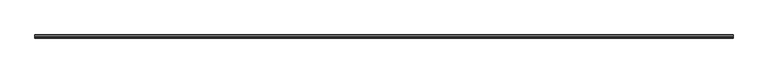
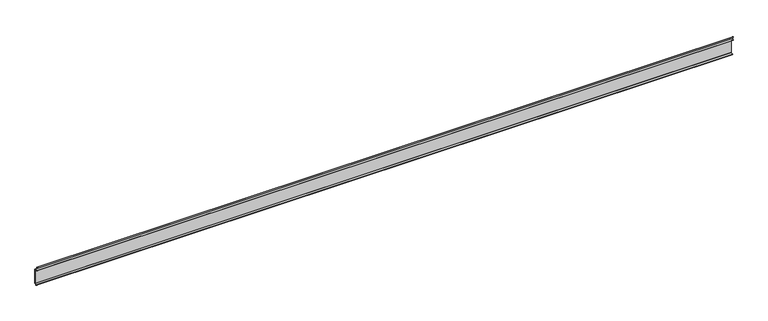
"""IFC4 building model written with IfcOpenShell, lengths in millimetres: plate geometry."""

from ifc_helpers import new_model, si_unit, point, frame, frame_2d, origin, place, context, project, spatial, polyline, circle_curve, trimmed, segment, composite_curve, outline, extrude, source, transform, mapped, element, save


def plate_6393e93b(model_context):
    return source(origin(), model_context, "Body", "SweptSolid", [
        extrude(outline(polyline([(1780.0000002, 14.1978466), (1780.0000002, 13.3978466), (-1780.0000002, 13.3978466), (-1780.0000002, 14.1978466), (1780.0000002, 14.1978466)])), frame((0.0, 0.0, 16.489603), z_axis=(0.0, 0.0, 1.0), x_axis=(1.0, 0.0, 0.0)), (0.0, 0.0, 1.0), 72.020794),
        extrude(outline(composite_curve([segment(polyline([(1.5582054, 100.9821196), (-0.8610136, 110.1935375), (-0.0869849, 110.5514121), (2.4038944, 101.0671405), (0.0972038, 91.8167346)]), True, "CONTINUOUS"), segment(trimmed(circle_curve(frame_2d((0.7114775, 91.6635586)), 0.6330838), [point((0.0972038, 91.8167346))], [point((0.9699105, 91.0856248))], True, "CARTESIAN"), True, "CONTINUOUS"), segment(polyline([(0.9699105, 91.0856248), (1.5355959, 90.5199394)]), True, "CONTINUOUS"), segment(trimmed(circle_curve(frame_2d((0.6636049, 91.6219906)), 1.4053061), [point((1.5355959, 90.5199394))], [point((-0.6539682, 92.1107508))], False, "CARTESIAN"), True, "CONTINUOUS"), segment(polyline([(-0.6539682, 92.1107508), (1.5582054, 100.9821196)]), True, "CONTINUOUS")], self_intersect=False)), frame((-1780.0000002, 0.0, 0.0), z_axis=(1.0, 0.0, 0.0), x_axis=(0.0, 1.0, 0.0)), (0.0, 0.0, 1.0), 3560.0000003),
        extrude(outline(composite_curve([segment(trimmed(circle_curve(frame_2d((13.0032186, 88.3969777)), 2.0), [point((14.0032186, 90.1290285))], [point((15.0, 88.510397))], False, "CARTESIAN"), True, "CONTINUOUS"), segment(polyline([(15.0, 88.510397), (14.1978466, 88.510397)]), True, "CONTINUOUS"), segment(trimmed(circle_curve(frame_2d((13.0032186, 88.3969777)), 1.2), [point((14.1978466, 88.510397))], [point((13.6032186, 89.4362082))], True, "CARTESIAN"), True, "CONTINUOUS"), segment(polyline([(13.6032186, 89.4362082), (5.2655943, 94.2499378), (1.5355959, 90.5199394), (0.9699105, 91.0856248), (4.5913925, 94.7071068)]), True, "CONTINUOUS"), segment(trimmed(circle_curve(frame_2d((5.2984993, 94.0)), 1.0), [point((4.5913925, 94.7071068))], [point((5.7984993, 94.8660254))], False, "CARTESIAN"), True, "CONTINUOUS"), segment(polyline([(5.7984993, 94.8660254), (14.0032186, 90.1290285)]), True, "CONTINUOUS")], self_intersect=False)), frame((-1780.0000002, 0.0, 0.0), z_axis=(1.0, 0.0, 0.0), x_axis=(0.0, 1.0, 0.0)), (0.0, 0.0, 1.0), 3560.0000003),
        extrude(outline(composite_curve([segment(polyline([(14.0032186, 14.8709715), (5.7984993, 10.1339746)]), True, "CONTINUOUS"), segment(trimmed(circle_curve(frame_2d((5.2984993, 11.0)), 1.0), [point((5.7984993, 10.1339746))], [point((4.5913925, 10.2928932))], False, "CARTESIAN"), True, "CONTINUOUS"), segment(polyline([(4.5913925, 10.2928932), (0.9699105, 13.9143752), (1.5355959, 14.4800606), (5.2655943, 10.7500622), (13.6032186, 15.5637918)]), True, "CONTINUOUS"), segment(trimmed(circle_curve(frame_2d((13.0032186, 16.6030223)), 1.2), [point((13.6032186, 15.5637918))], [point((14.1978466, 16.489603))], True, "CARTESIAN"), True, "CONTINUOUS"), segment(polyline([(14.1978466, 16.489603), (15.0, 16.489603)]), True, "CONTINUOUS"), segment(trimmed(circle_curve(frame_2d((13.0032186, 16.6030223)), 2.0), [point((15.0, 16.489603))], [point((14.0032186, 14.8709715))], False, "CARTESIAN"), True, "CONTINUOUS")], self_intersect=False)), frame((-1780.0000002, 0.0, 0.0), z_axis=(1.0, 0.0, 0.0), x_axis=(0.0, 1.0, 0.0)), (0.0, 0.0, 1.0), 3560.0000003),
        extrude(outline(polyline([(1780.0000002, 15.0), (1780.0000002, 14.2), (-1780.0000002, 14.2), (-1780.0000002, 15.0), (1780.0000002, 15.0)])), frame((0.0, 0.0, 16.489603), z_axis=(0.0, 0.0, 1.0), x_axis=(1.0, 0.0, 0.0)), (0.0, 0.0, 1.0), 72.020794),
    ])


if __name__ == "__main__":
    model = new_model("IFC4")
    model_context = context("Model", 3, world=origin())
    ifc_project = project(units=[si_unit("LENGTHUNIT", "METRE", prefix="MILLI")], contexts=[model_context])
    site = spatial("IfcSite", under=ifc_project)
    building = spatial("IfcBuilding", under=site)
    placement = place(None, origin())
    plate_shape = plate_6393e93b(model_context)
    element("IfcPlate", 1, at=placement, inside=building, context=model_context, shape_type="MappedRepresentation", body=[
        mapped(plate_shape, transform((0.0, 0.0, 0.0), x_axis=(1.0, 0.0, 0.0), y_axis=(0.0, 1.0, 0.0), z_axis=(0.0, 0.0, 1.0))),
    ])
    save(model, "model.ifc")
